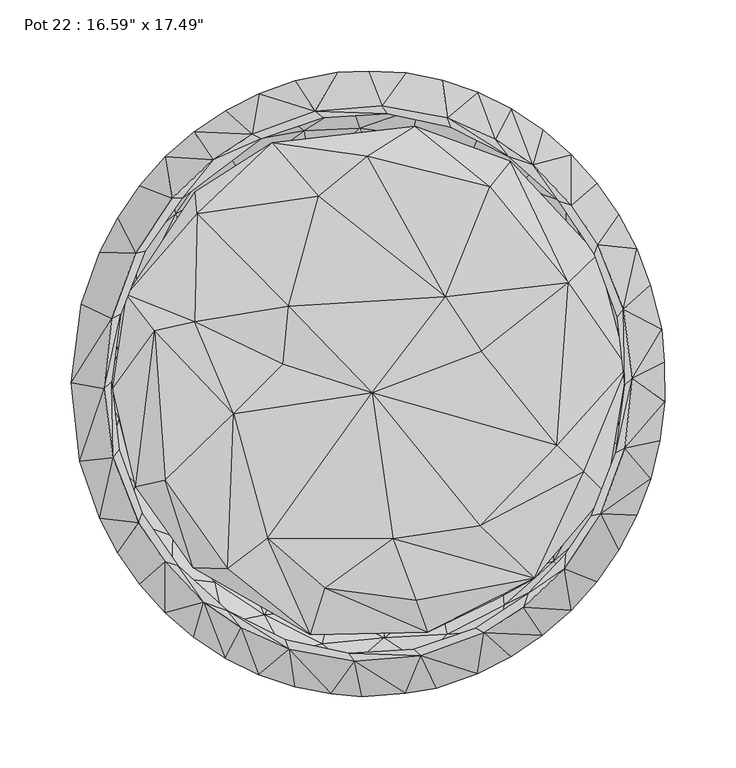
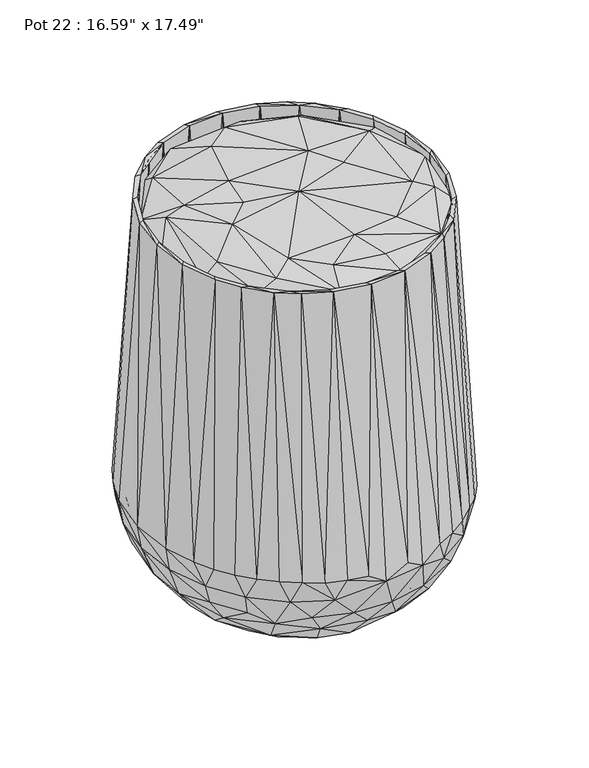
"""IFC4 building model written with IfcOpenShell, lengths in millimetres: furniture geometry."""

from ifc_helpers import new_model, si_unit, origin, place, context, project, spatial, triangles, source, transform, mapped, element, save


def furniture_ceefdb5e(model_context):
    return source(origin(), model_context, "Body", "Tessellation", [
        triangles([(-57.0087432, -149.7869782, 25.79015), (-19.8524288, -158.9531974, 25.4928298), (-68.8533781, -176.6343674, 58.9120836), (-107.7333678, -128.9392136, 34.3259049), (-88.9011052, -110.6526845, 15.1135113), (-58.7160881, -101.2181041, 4.4508894), (4.6943128, -136.8713058, 10.8085733), (29.708654, -180.7354616, 50.8946996), (-13.1900606, -189.2414467, 59.2582743), (58.063062, -147.8918813, 27.2028885), (51.2274191, -118.8579522, 9.0676202), (98.8205034, -127.5932747, 31.2169331), (82.0429664, -165.9045536, 56.1563833), (-109.9913695, -82.1355116, 13.0672552), (-148.4934071, -71.0766617, 35.0582684), (-117.5036108, -156.1742427, 70.7144609), (-154.8432738, -101.9184611, 59.5738346), (-54.6179734, -122.0113662, 27.145452), (7.6795219, -133.5613425, 27.149735), (-34.3714349, -84.2076689, 16.2225699), (-101.4509478, -102.6347237, 34.374587), (-74.4756458, -162.7351431, 64.5912745), (-93.4065624, -71.2523596, 22.1442379), (-27.9893276, -158.359411, 44.3341353), (-8.7971988, -90.87038, -0.3482831), (69.0708476, -111.9836261, 27.4191453), (46.3596294, -75.2300329, 16.2193259), (9.6947843, -178.728244, 64.0722428), (48.2586323, -151.0286357, 43.8579471), (56.9292013, -63.493817, -0.4762714), (100.128236, -78.8320886, 9.8912363), (106.58431, -82.1406984, 30.3795569), (92.1875234, -135.6658379, 51.8470942), (124.9345435, -98.600059, 31.174487), (129.5360159, -128.7841813, 58.641506), (-125.7656791, -42.5973817, 11.1312701), (-86.2138873, -20.5092292, -0.4118878), (-141.765829, -61.375051, 43.6453238), (-109.1846509, -139.8108338, 64.3911051), (-138.7121636, -107.273612, 64.3369205), (-1.4007985, 0.0302047, 24.7902565), (-86.4700672, -9.3719212, 16.2554758), (-1.4007985, 0.0302047, 7.6165886), (88.167965, -8.1217585, 16.2424293), (114.5656088, -22.4304804, 5.7168828), (139.072743, -59.0708857, 26.2403814), (119.0685589, -15.323833, 24.4280988), (130.6509097, -92.2373841, 51.2425844), (147.7838937, -17.6922681, 41.740103), (160.7314682, -78.4319677, 56.2101818), (-152.9454609, -19.3561768, 26.0740353), (-184.4855597, -50.2585783, 72.3721586), (-152.5282807, 20.8895066, 26.0698159), (-115.6244014, 32.5836398, 6.8883139), (-118.0910204, -16.5286218, 23.5777442), (87.4297651, 18.0532483, -0.497884), (153.4937014, -13.5932564, 28.9178161), (-190.3405257, -0.6941557, 72.3695697), (-121.8769812, 47.0329395, 27.9653034), (-152.3105523, 22.496894, 44.1465059), (-151.5517869, -23.4376501, 43.5774409), (-52.8040807, 65.5484063, 16.5632445), (-89.6500602, 70.4223458, 21.1599207), (-62.4804205, 63.8972762, -0.5320229), (95.2662781, 60.1725126, 21.3315218), (30.235768, 80.2954077, 16.4922426), (127.2445587, 50.3251986, 15.0186872), (126.5678831, 56.2481564, 33.8003851), (177.3875191, -23.3237444, 59.4227446), (158.8064404, 31.1640793, 36.3854244), (-142.5856917, 59.9095245, 26.0701406), (-175.7934122, 46.6474752, 59.2769686), (-123.9062269, 96.1259095, 26.6418036), (-86.262558, 86.6853429, 6.9199872), (-25.2904894, 76.4707502, 0.0005695), (47.0399567, 61.9811504, 0.0001151), (19.6456917, 78.0121895, 0.0128361), (67.6956181, 85.669353, 2.5841551), (-158.9343577, 91.0632279, 59.2682755), (-103.582204, 99.6287752, 34.6763218), (-129.3271805, 98.8376171, 50.7870981), (-59.6169234, 106.7867776, 22.8891234), (-47.851803, 126.2803643, 10.5295558), (17.2152521, 103.5664255, 1.4452407), (-12.5899019, 112.3612557, 19.6386632), (99.2579494, 113.5291168, 40.1251262), (51.3238022, 107.4682586, 21.9256421), (169.2943358, 11.8404326, 64.8876863), (137.8684833, 82.73146, 50.8323306), (98.7596241, 100.2850669, 15.9937219), (140.5222275, 77.3764634, 32.9626205), (-122.8984305, 138.3754654, 57.3544116), (-98.634777, 123.5706823, 26.4537155), (-42.1767225, 146.8681247, 38.6796748), (-90.5803722, 145.7894478, 58.1210572), (8.3142817, 136.5783095, 11.366672), (42.4127864, 136.2818886, 15.2752486), (54.5019512, 141.0286283, 38.0708207), (8.9429021, 150.3748147, 37.5269359), (77.3138128, 140.9469109, 27.77754), (115.4770811, 116.4433103, 34.3997626), (151.8151883, 101.9630713, 59.229715), (176.2978509, 35.8357123, 59.2164754), (-63.7541118, 161.3316314, 39.2443297), (-28.1593209, 152.4668927, 22.5960885), (12.0109322, 170.8200421, 35.5213738), (104.2053128, 154.3823826, 58.4474499), (54.9775672, 180.376926, 59.085833), (10.6426178, -204.8227994, 86.1440787), (-38.3925421, -201.8113372, 86.1529808), (-85.0476885, -186.0004382, 86.1318883), (-111.9637781, -182.4525624, 114.8798883), (-152.0565707, -147.3672131, 114.9068307), (-144.9221407, -140.0036546, 86.1785515), (-103.0388505, -168.4329785, 102.0988734), (-59.9867091, -189.5466788, 102.0846664), (-33.9961944, -182.9645588, 75.3451012), (-13.1262246, -198.644452, 102.0675889), (34.392952, -195.1359816, 102.1033607), (54.096044, -176.1928791, 75.3625647), (58.8487699, -194.8606713, 86.1307165), (94.0267734, -155.9424982, 75.41818), (111.2588066, -167.1647783, 85.3676454), (-139.950987, -136.2435825, 102.0187911), (128.8929138, -124.9608682, 75.6270381), (158.5321657, -121.7838819, 92.1845258), (-172.2949157, -100.1816666, 86.1604476), (-165.477999, -70.203977, 75.3846928), (-166.7395862, -97.5844596, 102.0461876), (154.8664737, -78.6660014, 69.2939989), (164.2536006, -94.8956612, 102.1146518), (177.2605647, -46.6212913, 88.7862775), (182.5743573, -75.8544043, 92.1932825), (-176.6887246, -25.0133578, 75.3791789), (195.1292233, -24.5844278, 92.2378746), (-163.623461, 65.3671311, 70.4407676), (-176.7256227, 21.5373777, 75.1397449), (187.7469159, 1.4796108, 102.2022646), (176.9241753, 50.255558, 88.7326653), (175.4523901, 88.9439623, 85.6284307), (192.0105728, 27.4677434, 85.9616407), (-190.2570642, 50.4374146, 86.1430432), (-172.0150636, 98.5352918, 86.1215692), (-137.0834113, 119.288322, 74.7622108), (-184.5417699, 48.3823348, 102.0524827), (-167.0128617, 94.9978987, 102.0618934), (-148.7387409, 140.8803906, 95.8433595), (104.4436067, 138.8846367, 63.0696287), (152.9901166, 91.4918446, 75.3049238), (138.1459373, 127.3830677, 88.8470932), (141.7453724, 148.2408789, 97.0076507), (-105.7480602, 169.9347582, 80.6101505), (-103.5356861, 167.5875722, 102.2628804), (-46.696423, 177.8758251, 71.6851048), (29.6088168, 174.9110533, 63.49344), (70.7397455, 161.0052524, 63.2396719), (78.3398767, 178.4541691, 95.5239749), (116.9194259, 153.1579843, 95.7101736), (-68.1786237, 196.8509023, 93.5687618), (-33.2423455, 196.9443741, 74.9562033), (-7.5126586, 179.7446245, 65.4869957), (33.4100428, 193.681183, 95.8832644), (-13.7942434, 198.4831428, 102.0017136), (10.2459192, 199.4891497, 74.4360088), (105.1538559, 176.3706662, 92.2390373), (59.9431117, 198.5770688, 92.2057454), (-65.7521185, -205.5059336, 115.4326707), (-93.7955648, -186.1525183, 145.2564317), (-46.8116685, -204.2489609, 145.0840494), (-5.8157742, -220.3745755, 130.9565778), (2.9903948, -209.3981197, 145.0188281), (46.5705086, -214.2294564, 131.0372505), (90.9959719, -173.6492299, 101.8725609), (52.4870443, -201.3064625, 144.9583303), (86.4093605, -194.4532107, 114.9599888), (-134.0522191, -157.049262, 145.334452), (137.6287904, -133.9419515, 102.0907707), (98.5720719, -180.5017004, 144.8919463), (138.4156065, -148.2139546, 145.4101923), (129.1618472, -165.4995093, 114.5096256), (-180.9948026, -105.3622098, 114.9081297), (-167.0055402, -117.3323367, 144.9612553), (168.8357519, -107.5258859, 145.2807761), (175.1430522, -116.8093399, 140.2435745), (159.6798972, -139.2841672, 140.2553925), (-200.0331209, -55.0559145, 114.9296763), (-184.4490249, -51.0765471, 102.0639645), (-189.301781, -70.4505463, 144.9837103), (189.195156, -59.3299587, 145.2331409), (197.474865, -66.7838596, 140.1433808), (187.797476, -92.5354037, 140.118782), (-206.5130487, -1.1330843, 114.9390871), (-190.4944771, -1.4234036, 102.0528642), (-196.8856386, -40.5628811, 148.3019307), (197.5357442, -7.2704257, 145.0710142), (-200.3343743, 7.330999, 145.0604952), (-199.9502771, 52.9060594, 114.9431112), (205.1393681, 38.2016744, 131.0519117), (204.0175797, -39.9789505, 140.1292828), (207.2485235, -12.8880147, 141.0503839), (193.296559, 45.1132438, 144.9005759), (-181.1982967, 102.9642639, 115.2801546), (-192.0097552, 59.3420174, 145.1901657), (163.9255865, 97.6213941, 101.9884877), (176.7549269, 94.7109613, 144.9388003), (-140.5264697, 134.1888478, 102.7203834), (-171.6794373, 107.5137591, 145.209832), (149.8981542, 137.1617768, 146.0386332), (164.6977595, 128.143014, 115.6889141), (188.7717261, 81.6344793, 114.4083146), (-162.3970279, 139.0887486, 144.7370775), (-144.358694, 159.7395774, 139.8368315), (-109.4049772, 181.7878319, 110.7274165), (-141.196605, 148.2887139, 145.6553899), (-60.5943483, 188.4864964, 101.8935262), (-75.2179924, 194.065153, 147.8881842), (-118.4947203, 168.3885226, 153.8145212), (-97.2340995, 182.7123758, 154.6151628), (111.4510006, 173.3872727, 145.694014), (68.2623986, 196.7525253, 145.2006211), (99.4432579, 193.4764898, 140.1679069), (121.6026883, 178.8068547, 140.1477864), (141.6104605, 161.1275196, 145.6586419), (159.65439, 141.0847568, 144.6916587), (-78.2521095, 203.9646578, 144.4989561), (-52.9124135, 213.0080011, 139.5913796), (-22.8857102, 219.1411297, 131.5121489), (-30.7695563, 207.0570744, 144.9322509), (19.3167919, 208.5361992, 145.0711505), (25.0509668, 218.7893525, 133.6310239), (51.0088187, 213.3609592, 141.0673978), (75.6722388, 205.1060125, 140.2328738), (-53.4167886, -213.2287907, 144.4613221), (-102.0642825, -193.1822854, 145.7126266), (-78.6135155, -204.7687148, 144.1431003), (24.7163783, -217.924507, 144.4154855), (-27.6580161, -218.2450543, 144.3856364), (-10.938346, -195.5290717, 537.3623308), (75.4432966, -203.9136616, 144.3643986), (35.8830682, -191.5094587, 537.3610228), (99.1855247, -192.0130799, 144.4073011), (-144.4106712, -161.0646237, 145.7110823), (-162.3601297, -141.0577599, 145.7105555), (-177.7713983, -118.8258865, 145.7108825), (-124.205709, -178.5313447, 145.7116001), (121.2868101, -177.1007452, 144.8017992), (141.5415876, -159.2794129, 145.8257556), (136.5882199, -130.3264836, 537.3569896), (162.4777461, -91.56218, 537.3620401), (-190.4015503, -94.7196454, 145.7105555), (-204.4694962, -54.4764123, 145.3932511), (-210.6586169, 0.6023198, 145.3927333), (179.2499781, -45.5656508, 537.359533), (-203.5284562, 55.7437314, 145.3775453), (207.1179355, 15.1078408, 144.4442992), (184.6182006, 3.5777837, 537.3594604), (-190.3618544, 92.4291784, 145.7203659), (197.2556196, 69.1500624, 145.7707262), (178.1323319, 52.4509545, 537.3622218), (-177.8900684, 116.5612446, 144.5160336), (187.5588823, 94.8780841, 145.7069947), (175.1848556, 118.7052998, 144.0677506), (-139.307676, 130.481852, 537.3852945), (-123.875324, 177.286308, 145.1866049), (-110.538956, 157.4236396, 537.3552455), (-101.9883423, 192.073396, 144.3931577), (114.4674135, 153.8952212, 537.3170938), (-38.7074348, 191.5651603, 537.3590607), (-1.3320446, 219.8780396, 144.4221167), (8.1449448, 195.5894604, 537.3579706), (54.3788392, 187.1435188, 537.3589517), (88.07859, 171.833752, 537.3498316), (-90.878192, -171.7737993, 537.3567352), (-117.248412, -153.8467685, 537.3607321), (-74.5088469, -194.7018147, 160.8309716), (-118.1235312, -169.7486685, 160.829282), (-100.3474632, -159.6860923, 537.015259), (-59.638797, -180.3244401, 537.0132242), (-57.1506313, -187.0915961, 537.3646199), (-26.2992691, -207.4190618, 160.8364218), (-14.9914621, -189.6485621, 537.0125702), (23.4767193, -207.1002949, 160.8449787), (30.50992, -186.9061605, 537.0131152), (71.6913635, -193.7637906, 160.855316), (73.9486203, -172.2959331, 537.0135876), (80.203026, -175.3513425, 537.3616041), (-144.4969213, -125.4348127, 537.3576799), (-135.4129918, -128.3244801, 537.0123885), (-154.4033843, -134.1279413, 160.8282465), (115.3136827, -168.246144, 160.8675064), (111.0574018, -148.0259574, 537.0070473), (107.7321778, -157.3677019, 537.3532834), (151.5998944, -132.1519899, 160.8750459), (137.5581007, -120.0687613, 537.0060299), (-163.1194402, -97.7539714, 537.365274), (-181.0695618, -90.0783226, 160.8279739), (-160.5258667, -91.0773532, 537.0181294), (155.5995867, -93.0528685, 537.0088277), (-180.9541619, -52.3213158, 537.3644382), (178.2674618, -87.7560352, 160.8640728), (172.9519977, -48.7411474, 537.0075196), (-187.4189926, -3.5192966, 537.3644746), (-199.5704856, -14.3560471, 160.8278468), (-176.8647494, -46.5003094, 537.0171847), (193.6428133, -37.8643426, 160.8143483), (179.2731235, -1.0845959, 537.0098451), (-182.0742425, 1.1540651, 537.0154407), (196.7762339, 14.3593842, 160.7486728), (-182.0763318, 45.4998754, 537.365928), (-196.442715, 37.9331702, 160.8287006), (174.0643026, 46.5512965, 537.015259), (-165.2851147, 91.6032204, 537.3682534), (-175.7592028, 48.7779138, 537.0141689), (-181.0598422, 87.8414497, 160.8281193), (187.4856128, 65.6823008, 160.8140213), (157.7202421, 91.1479975, 537.0184928), (-158.4218163, 93.0743061, 537.014714), (-154.3881236, 132.2333258, 160.8261572), (166.2403434, 113.0768098, 160.8839298), (160.3486609, 97.7648901, 537.3642566), (-132.2954314, 130.2487812, 536.9772162), (134.5135827, 153.2274931, 160.7914936), (132.6421944, 128.3475165, 537.031101), (141.6999536, 125.4906959, 537.3548821), (-83.200899, 175.3103385, 537.3609138), (-107.4199966, 152.9466599, 536.0335602), (-76.788963, 172.3361014, 537.0247787), (97.5537929, 159.7408128, 537.0022511), (94.3131477, 183.7122966, 160.7770868), (-50.7542785, 202.0938781, 160.8114233), (-33.3999394, 186.9533597, 537.0107898), (-1.3545453, 208.9704569, 160.7985789), (12.1735041, 189.7109493, 537.0077013), (48.0430432, 202.7087751, 160.7831366), (56.8657832, 180.3749094, 537.0055939)], [[1, 2, 3], [1, 3, 4], [1, 4, 5], [1, 5, 6], [1, 7, 2], [1, 6, 7], [2, 7, 8], [2, 9, 3], [2, 8, 9], [10, 7, 11], [10, 11, 12], [10, 12, 13], [10, 8, 7], [10, 13, 8], [4, 14, 5], [4, 15, 14], [4, 16, 17], [4, 17, 15], [4, 3, 16], [5, 14, 6], [18, 19, 20], [18, 21, 22], [18, 20, 23], [18, 23, 21], [18, 22, 24], [18, 24, 19], [7, 6, 25], [7, 25, 11], [19, 26, 27], [19, 27, 20], [19, 24, 28], [19, 28, 29], [19, 29, 26], [11, 25, 30], [11, 31, 12], [11, 30, 31], [26, 32, 27], [26, 29, 33], [26, 33, 32], [12, 31, 34], [12, 34, 35], [12, 35, 13], [14, 15, 36], [14, 36, 37], [14, 37, 6], [21, 23, 38], [21, 39, 22], [21, 40, 39], [21, 38, 40], [6, 37, 25], [20, 27, 41], [20, 42, 23], [20, 41, 42], [25, 37, 43], [25, 43, 30], [27, 32, 44], [27, 44, 41], [31, 30, 45], [31, 46, 34], [31, 45, 46], [32, 47, 44], [32, 33, 48], [32, 48, 49], [32, 49, 47], [34, 46, 50], [34, 50, 35], [15, 51, 36], [15, 17, 52], [15, 52, 51], [36, 51, 53], [36, 53, 54], [36, 54, 37], [23, 55, 38], [23, 42, 55], [30, 43, 56], [30, 56, 45], [46, 57, 50], [46, 45, 57], [51, 52, 58], [51, 58, 53], [55, 42, 59], [55, 59, 60], [55, 61, 38], [55, 60, 61], [42, 41, 62], [42, 63, 59], [42, 62, 63], [37, 54, 64], [37, 64, 43], [44, 47, 65], [44, 65, 66], [44, 66, 41], [45, 56, 67], [45, 67, 57], [47, 68, 65], [47, 49, 68], [57, 69, 50], [57, 70, 69], [57, 67, 70], [53, 71, 54], [53, 72, 71], [53, 58, 72], [54, 71, 73], [54, 73, 74], [54, 74, 64], [43, 64, 75], [43, 76, 56], [43, 75, 77], [43, 77, 76], [41, 66, 62], [56, 76, 78], [56, 78, 67], [71, 72, 79], [71, 79, 73], [59, 63, 80], [59, 80, 81], [59, 81, 60], [63, 62, 82], [63, 82, 80], [64, 74, 83], [64, 84, 75], [64, 83, 84], [62, 66, 85], [62, 85, 82], [76, 77, 78], [65, 68, 86], [65, 87, 66], [65, 86, 87], [68, 49, 88], [68, 88, 89], [68, 89, 86], [67, 78, 90], [67, 90, 91], [67, 91, 70], [73, 79, 92], [73, 93, 74], [73, 92, 93], [80, 82, 94], [80, 95, 81], [80, 94, 95], [74, 93, 83], [82, 85, 94], [75, 84, 77], [84, 78, 77], [84, 83, 96], [84, 96, 97], [84, 97, 78], [66, 87, 85], [87, 98, 99], [87, 86, 98], [87, 99, 85], [78, 97, 100], [78, 100, 90], [90, 100, 101], [90, 101, 91], [91, 101, 102], [91, 103, 70], [91, 102, 103], [93, 92, 104], [93, 104, 83], [83, 105, 96], [83, 104, 105], [85, 99, 94], [96, 105, 106], [96, 106, 97], [97, 106, 100], [100, 107, 101], [100, 106, 108], [100, 108, 107], [101, 107, 102], [105, 104, 106], [9, 8, 109], [9, 110, 3], [9, 109, 110], [16, 3, 111], [16, 111, 112], [16, 113, 114], [16, 112, 113], [16, 114, 17], [22, 39, 115], [22, 116, 117], [22, 115, 116], [22, 117, 24], [3, 110, 111], [24, 117, 28], [28, 118, 119], [28, 119, 120], [28, 117, 118], [28, 120, 29], [8, 13, 121], [8, 121, 109], [29, 120, 122], [29, 122, 33], [13, 35, 123], [13, 123, 121], [39, 40, 124], [39, 124, 115], [33, 125, 48], [33, 122, 125], [35, 50, 126], [35, 126, 123], [17, 114, 127], [17, 127, 52], [40, 38, 128], [40, 129, 124], [40, 128, 129], [48, 125, 130], [48, 130, 49], [130, 125, 131], [130, 131, 132], [130, 132, 49], [50, 69, 133], [50, 133, 126], [38, 61, 128], [61, 60, 134], [61, 134, 128], [49, 132, 88], [69, 70, 103], [69, 103, 135], [69, 135, 133], [60, 136, 137], [60, 137, 134], [60, 81, 136], [88, 132, 138], [88, 138, 139], [88, 139, 89], [103, 102, 140], [103, 141, 135], [103, 140, 141], [72, 58, 142], [72, 142, 143], [72, 143, 79], [136, 81, 144], [136, 145, 137], [136, 146, 145], [136, 144, 146], [79, 143, 147], [79, 147, 92], [81, 95, 144], [89, 148, 86], [89, 139, 149], [89, 149, 150], [89, 150, 148], [102, 107, 151], [102, 151, 140], [92, 147, 152], [92, 152, 104], [95, 153, 144], [95, 154, 153], [95, 94, 154], [98, 155, 99], [98, 86, 156], [98, 156, 155], [86, 148, 156], [148, 157, 156], [148, 158, 157], [148, 150, 158], [104, 152, 159], [104, 159, 160], [104, 160, 106], [94, 99, 161], [94, 161, 154], [161, 99, 155], [161, 155, 162], [161, 163, 154], [161, 162, 163], [106, 160, 164], [106, 164, 108], [155, 156, 162], [108, 165, 107], [108, 164, 166], [108, 166, 165], [156, 157, 162], [107, 165, 151], [111, 110, 167], [111, 167, 112], [116, 118, 117], [116, 115, 168], [116, 168, 169], [116, 169, 118], [110, 109, 170], [110, 170, 167], [118, 169, 171], [118, 171, 119], [109, 121, 172], [109, 172, 170], [119, 173, 120], [119, 171, 174], [119, 174, 173], [121, 123, 175], [121, 175, 172], [115, 124, 176], [115, 176, 168], [120, 173, 122], [173, 177, 122], [173, 174, 178], [173, 178, 179], [173, 179, 177], [122, 177, 125], [123, 126, 180], [123, 180, 175], [114, 113, 181], [114, 181, 127], [124, 129, 182], [124, 182, 176], [125, 177, 131], [177, 179, 183], [177, 183, 131], [126, 133, 184], [126, 185, 180], [126, 184, 185], [127, 181, 186], [127, 186, 52], [129, 187, 188], [129, 128, 187], [129, 188, 182], [131, 183, 189], [131, 189, 132], [133, 135, 190], [133, 191, 184], [133, 190, 191], [52, 186, 192], [52, 192, 58], [187, 128, 134], [187, 193, 194], [187, 134, 193], [187, 194, 188], [132, 189, 195], [132, 195, 138], [193, 134, 137], [193, 137, 145], [193, 145, 196], [193, 196, 194], [58, 192, 197], [58, 197, 142], [135, 141, 198], [135, 199, 190], [135, 200, 199], [135, 198, 200], [138, 195, 201], [138, 201, 139], [141, 140, 198], [142, 197, 202], [142, 202, 143], [145, 146, 203], [145, 203, 196], [139, 204, 149], [139, 201, 205], [139, 205, 204], [143, 202, 147], [146, 206, 207], [146, 144, 206], [146, 207, 203], [149, 204, 150], [204, 205, 208], [204, 208, 150], [140, 151, 209], [140, 210, 198], [140, 209, 210], [147, 202, 211], [147, 211, 212], [147, 212, 213], [147, 213, 152], [206, 214, 207], [206, 144, 153], [206, 153, 214], [150, 208, 158], [152, 213, 159], [153, 154, 215], [153, 215, 216], [153, 217, 214], [153, 218, 217], [153, 216, 218], [154, 163, 215], [157, 158, 219], [157, 219, 220], [157, 220, 162], [165, 166, 221], [165, 222, 151], [165, 221, 222], [158, 208, 219], [151, 222, 223], [151, 224, 209], [151, 223, 224], [159, 213, 225], [159, 226, 227], [159, 227, 160], [159, 225, 226], [215, 163, 228], [215, 228, 216], [160, 227, 164], [163, 162, 229], [163, 229, 228], [164, 227, 230], [164, 230, 166], [162, 220, 229], [166, 230, 231], [166, 231, 232], [166, 232, 221], [167, 170, 233], [167, 234, 112], [167, 235, 234], [167, 233, 235], [170, 172, 236], [170, 237, 233], [170, 236, 238], [170, 238, 237], [172, 175, 239], [172, 239, 240], [172, 240, 236], [175, 180, 241], [175, 241, 239], [113, 242, 243], [113, 244, 181], [113, 243, 244], [113, 112, 242], [112, 234, 245], [112, 245, 242], [180, 246, 241], [180, 247, 246], [180, 185, 247], [185, 184, 248], [185, 248, 247], [184, 191, 249], [184, 249, 248], [181, 244, 250], [181, 250, 251], [181, 251, 186], [191, 190, 249], [186, 251, 252], [186, 252, 192], [190, 199, 253], [190, 253, 249], [199, 200, 253], [192, 252, 254], [192, 254, 197], [200, 198, 255], [200, 255, 256], [200, 256, 253], [197, 254, 257], [197, 257, 202], [198, 210, 258], [198, 258, 259], [198, 256, 255], [198, 259, 256], [202, 257, 260], [202, 260, 211], [210, 209, 261], [210, 261, 258], [209, 224, 262], [209, 262, 261], [212, 211, 263], [212, 264, 213], [212, 263, 265], [212, 265, 264], [213, 264, 266], [213, 266, 225], [222, 221, 267], [222, 267, 223], [226, 225, 268], [226, 268, 227], [227, 269, 230], [227, 268, 270], [227, 270, 269], [230, 269, 270], [230, 270, 271], [230, 271, 231], [231, 271, 232], [232, 272, 221], [232, 271, 272], [221, 272, 267], [234, 235, 273], [234, 274, 245], [234, 273, 274], [168, 275, 169], [168, 176, 276], [168, 276, 277], [168, 277, 278], [168, 278, 275], [235, 233, 279], [235, 279, 273], [275, 278, 169], [233, 237, 279], [169, 280, 171], [169, 281, 280], [169, 278, 281], [237, 238, 279], [280, 281, 171], [171, 282, 174], [171, 281, 283], [171, 283, 282], [282, 283, 174], [236, 240, 238], [174, 284, 178], [174, 283, 285], [174, 285, 284], [284, 285, 178], [239, 241, 286], [239, 286, 240], [241, 246, 286], [242, 245, 274], [242, 274, 287], [242, 287, 243], [176, 277, 276], [176, 288, 277], [176, 182, 289], [176, 289, 288], [178, 290, 179], [178, 285, 291], [178, 291, 290], [290, 291, 179], [246, 247, 292], [246, 292, 286], [179, 293, 183], [179, 291, 294], [179, 294, 293], [247, 248, 292], [244, 243, 295], [244, 295, 250], [182, 296, 297], [182, 188, 296], [182, 288, 289], [182, 297, 288], [243, 287, 295], [293, 294, 298], [293, 298, 183], [250, 295, 299], [250, 299, 251], [296, 188, 297], [183, 300, 189], [183, 298, 300], [300, 298, 301], [300, 301, 189], [251, 299, 302], [251, 302, 252], [194, 303, 304], [194, 196, 303], [194, 304, 188], [188, 304, 297], [189, 305, 195], [189, 301, 305], [305, 301, 306], [305, 306, 195], [303, 196, 307], [303, 307, 304], [195, 308, 201], [195, 306, 308], [252, 302, 309], [252, 309, 254], [196, 310, 307], [196, 203, 310], [308, 306, 311], [308, 311, 201], [254, 309, 312], [254, 312, 257], [310, 203, 313], [310, 313, 307], [203, 314, 313], [203, 207, 314], [315, 201, 311], [315, 205, 201], [315, 311, 316], [315, 316, 205], [258, 261, 259], [257, 312, 260], [314, 207, 317], [314, 317, 313], [207, 318, 317], [207, 214, 318], [205, 319, 208], [205, 316, 319], [261, 262, 320], [261, 320, 259], [260, 312, 263], [260, 263, 211], [318, 214, 321], [318, 321, 317], [208, 322, 219], [208, 319, 323], [208, 323, 322], [224, 223, 324], [224, 320, 262], [224, 324, 320], [319, 316, 323], [214, 217, 321], [264, 265, 325], [264, 325, 266], [217, 218, 326], [217, 326, 321], [218, 216, 327], [218, 327, 326], [219, 322, 328], [219, 329, 220], [219, 328, 329], [322, 323, 328], [223, 267, 324], [266, 325, 225], [225, 325, 268], [216, 330, 327], [216, 228, 330], [330, 228, 331], [330, 331, 327], [228, 332, 331], [228, 229, 332], [332, 229, 333], [332, 333, 331], [229, 334, 333], [229, 220, 334], [334, 220, 335], [334, 335, 333], [220, 329, 335], [329, 328, 335], [279, 238, 278], [279, 277, 273], [279, 278, 277], [281, 238, 240], [281, 240, 283], [281, 278, 238], [283, 240, 286], [283, 286, 285], [274, 277, 288], [274, 273, 277], [274, 288, 287], [285, 286, 292], [285, 292, 291], [292, 248, 291], [291, 248, 294], [287, 288, 297], [287, 297, 295], [248, 249, 294], [294, 249, 298], [295, 297, 304], [295, 304, 299], [298, 249, 253], [298, 253, 301], [299, 304, 307], [299, 307, 302], [301, 253, 256], [301, 256, 306], [302, 307, 313], [302, 313, 309], [306, 256, 259], [306, 259, 311], [309, 313, 317], [309, 317, 312], [311, 259, 320], [311, 320, 316], [312, 317, 321], [312, 321, 263], [316, 320, 324], [316, 324, 323], [263, 321, 265], [321, 327, 265], [321, 326, 327], [323, 324, 267], [323, 267, 328], [265, 327, 325], [325, 327, 331], [325, 331, 268], [335, 328, 271], [335, 270, 333], [335, 271, 270], [272, 328, 267], [272, 271, 328], [268, 331, 333], [268, 333, 270]]),
        triangles([(131.3016239, -43.4616958, 540.7697536), (180.5944818, 11.4635524, 526.1831803), (139.6731151, 70.88509, 539.9595923), (78.3285765, 22.739321, 546.1018046), (-96.2536906, -21.3054128, 546.2438018), (1.3774932, -6.35916, 549.5747395), (-61.2446947, 13.7032265, 543.8826087), (-123.5600452, 43.6455145, 543.107983), (-151.6132929, 37.3016294, 539.5627052), (53.0419659, 61.254873, 547.4488154), (-57.5173786, 54.2512852, 547.9640456), (-171.3535851, 62.5894163, 527.7640795), (159.7602339, 90.8062396, 525.7256138), (-122.0038266, 119.3680954, 535.5165133), (-36.3095115, 131.6649012, 542.7860187), (84.1736503, 138.3201, 538.8569344), (-1.9520223, 160.0895016, 540.4930264), (-68.9834665, 169.3396274, 528.0211132), (-2.5135278, -152.4089021, 511.3639177), (40.4381158, -175.0310133, 524.8625851), (-42.1676342, -176.8367533, 526.7948436), (-105.798484, -109.1443009, 511.0495111), (-26.2719088, -6.860718, 502.3659568), (87.8686282, -125.5644287, 512.362476), (69.3943516, -65.3931923, 505.4322304), (-31.9852229, -143.9105836, 541.0218822), (32.3260724, -152.4622418, 538.9468635), (115.739229, -137.0167093, 529.7143965), (89.9762848, -151.0695489, 519.9571432), (165.8142975, -77.5731357, 525.8587089), (-124.6076557, -129.5481608, 524.5392763), (-100.3546394, -130.3434975, 537.3576799), (-144.2671389, -67.9110437, 538.4299255), (-165.2539937, -72.6035989, 524.5269588), (-107.4122209, -47.3935143, 507.6810757), (150.479723, -14.4733047, 512.2289812), (-181.1622887, -3.6998241, 523.5785065), (-144.0414168, 49.6075461, 512.5573405), (40.707349, -6.2582345, 503.392711), (-103.7133642, 108.0248198, 511.0416264), (-6.3936113, 46.1494042, 501.7072397), (131.123528, 68.6948077, 513.1071253), (-123.1571992, 134.918736, 523.5619377), (-37.7410943, 167.7637243, 518.1511488), (16.2952547, 115.6646151, 507.7252954), (98.6129034, 156.5535255, 524.079784), (31.4323315, 181.0744489, 524.3436124), (-72.4386289, -108.9286164, 542.5934069), (15.920013, -109.2176431, 545.2363051), (77.3604215, -99.9262044, 543.6433064), (150.4699125, -62.1737531, 537.4738429)], [[1, 2, 3], [1, 3, 4], [5, 6, 7], [5, 7, 8], [5, 8, 9], [6, 4, 10], [6, 11, 7], [6, 10, 11], [9, 8, 12], [7, 11, 8], [4, 3, 10], [2, 13, 3], [12, 8, 14], [8, 11, 14], [11, 10, 15], [11, 15, 14], [10, 3, 16], [10, 16, 17], [10, 17, 15], [14, 15, 18], [15, 17, 18], [19, 20, 21], [19, 22, 23], [19, 24, 20], [19, 25, 24], [19, 23, 25], [19, 21, 22], [20, 26, 21], [20, 27, 26], [20, 28, 27], [20, 24, 29], [20, 29, 28], [29, 24, 30], [29, 30, 28], [31, 21, 32], [31, 32, 33], [31, 33, 34], [31, 22, 21], [31, 34, 22], [22, 34, 35], [22, 35, 23], [24, 25, 36], [24, 36, 30], [34, 33, 9], [34, 9, 37], [34, 37, 35], [35, 37, 38], [35, 38, 23], [25, 23, 39], [25, 39, 36], [37, 12, 38], [37, 9, 12], [23, 38, 40], [23, 41, 39], [23, 40, 41], [39, 41, 36], [36, 41, 42], [36, 42, 2], [36, 2, 30], [38, 43, 40], [38, 12, 43], [41, 40, 44], [41, 45, 42], [41, 44, 45], [42, 45, 46], [42, 46, 13], [42, 13, 2], [40, 43, 44], [43, 14, 18], [43, 12, 14], [43, 18, 44], [45, 44, 46], [44, 18, 47], [44, 47, 46], [47, 16, 46], [47, 17, 16], [47, 18, 17], [46, 3, 13], [46, 16, 3], [21, 26, 48], [21, 48, 32], [26, 27, 49], [26, 49, 48], [27, 28, 49], [32, 48, 5], [32, 5, 33], [48, 49, 6], [48, 6, 5], [49, 28, 50], [49, 50, 6], [28, 30, 51], [28, 51, 50], [50, 1, 6], [50, 51, 1], [30, 2, 51], [33, 5, 9], [1, 51, 2], [1, 4, 6]]),
    ])


if __name__ == "__main__":
    model = new_model("IFC4")
    model_context = context("Model", 3, world=origin())
    ifc_project = project(units=[si_unit("LENGTHUNIT", "METRE", prefix="MILLI")], contexts=[model_context])
    site = spatial("IfcSite", under=ifc_project)
    building = spatial("IfcBuilding", under=site)
    placement = place(None, origin())
    furniture_shape = furniture_ceefdb5e(model_context)
    element("IfcFurniture", 1, ObjectType="Pot 22 : 16.59\" x 17.49\"", at=placement, inside=building, context=model_context, shape_type="MappedRepresentation", body=[
        mapped(furniture_shape, transform((0.0, 0.0, 0.0), x_axis=(1.0, 0.0, 0.0), y_axis=(0.0, 1.0, 0.0), z_axis=(0.0, 0.0, 1.0))),
    ])
    save(model, "model.ifc")
